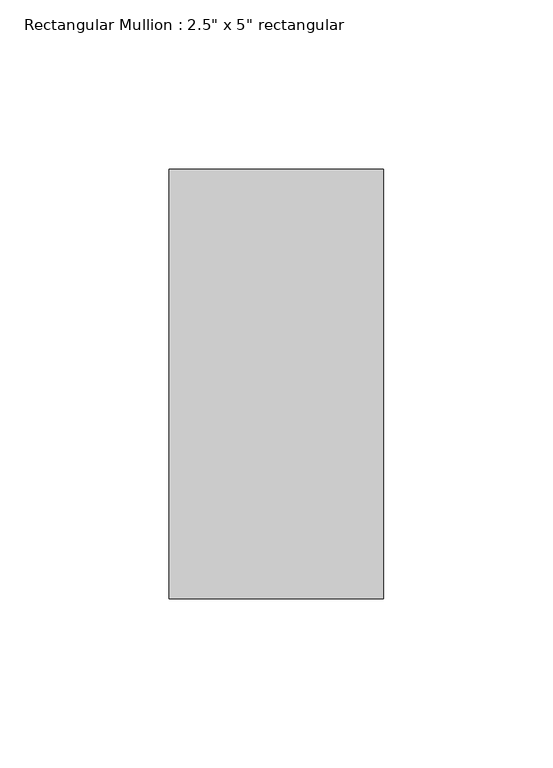
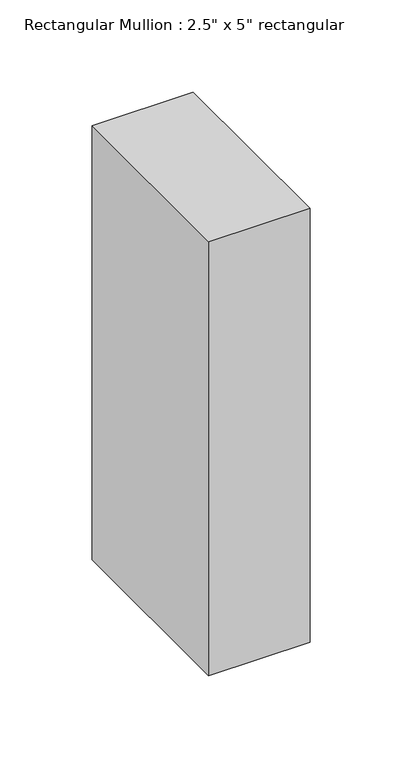
"""IFC4 building model written with IfcOpenShell, lengths in millimetres: member geometry."""

from ifc_helpers import new_model, si_unit, frame, origin, place, context, project, spatial, polyline, outline, extrude, source, transform, mapped, element, save


def member_034e421a(model_context):
    return source(origin(), model_context, "Body", "SweptSolid", [
        extrude(outline(polyline([(31.75, 63.5), (31.75, -63.5), (-31.75, -63.5), (-31.75, 63.5), (31.75, 63.5)])), frame((0.0, 0.0, -287.8666667), z_axis=(0.0, 0.0, 1.0), x_axis=(1.0, 0.0, 0.0)), (0.0, 0.0, 1.0), 287.8666667),
    ])


if __name__ == "__main__":
    model = new_model("IFC4")
    model_context = context("Model", 3, world=origin())
    ifc_project = project(units=[si_unit("LENGTHUNIT", "METRE", prefix="MILLI")], contexts=[model_context])
    site = spatial("IfcSite", under=ifc_project)
    building = spatial("IfcBuilding", under=site)
    placement = place(None, origin())
    member_shape = member_034e421a(model_context)
    element("IfcMember", 1, ObjectType="Rectangular Mullion : 2.5\" x 5\" rectangular", at=placement, inside=building, context=model_context, shape_type="MappedRepresentation", body=[
        mapped(member_shape, transform((0.0, 0.0, 0.0), x_axis=(1.0, 0.0, 0.0), y_axis=(0.0, 1.0, 0.0), z_axis=(0.0, 0.0, 1.0))),
    ])
    save(model, "model.ifc")
